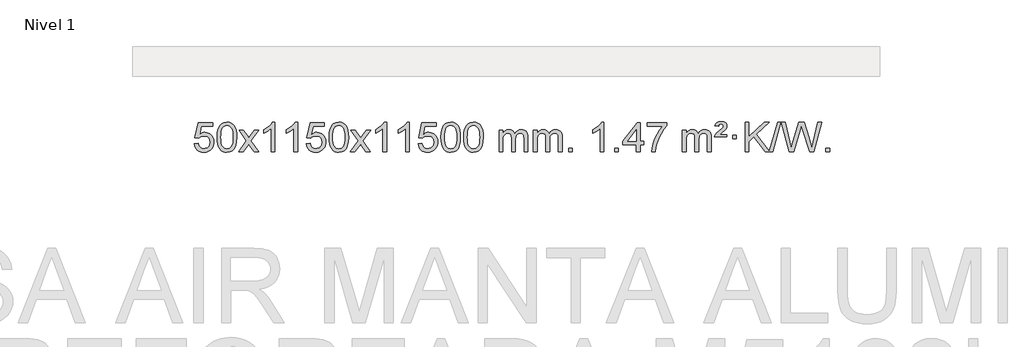
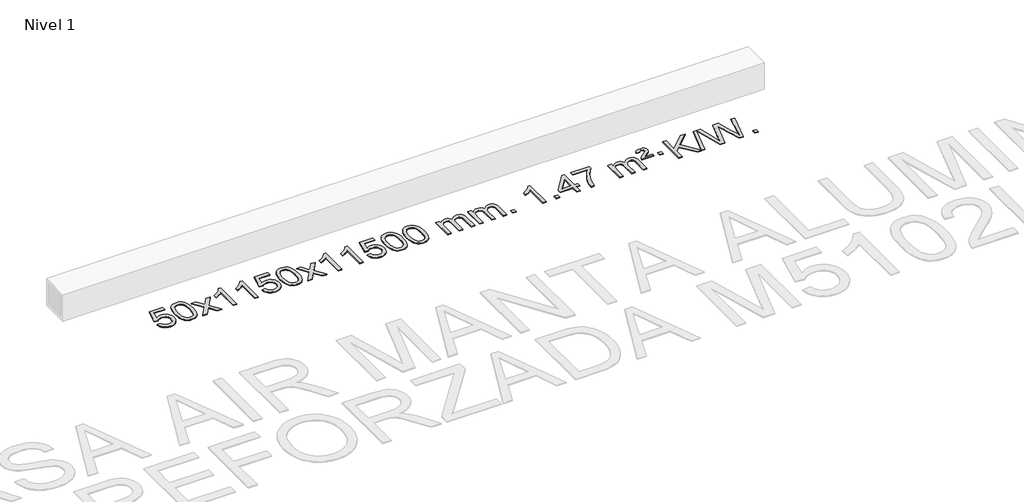
# One storey, part 2 of 4: 1 proxy.
"""IFC4 building model written with IfcOpenShell, lengths in millimetres."""

from ifc_helpers import new_model, si_unit, origin, origin_with_axes, place, context, project, spatial, polyline, outline, extrude, element, save

model = new_model("IFC4")

# Units and contexts
model_context = context("Model", 3, world=origin())
ifc_project = project(units=[si_unit("LENGTHUNIT", "METRE", prefix="MILLI")], contexts=[model_context])

# Site, building, storey
site = spatial("IfcSite", under=ifc_project)
building = spatial("IfcBuilding", under=site)
storey = spatial("IfcBuildingStorey", under=building, Name="Nivel 1", Elevation=0.0)

# Proxy
placement = place(None, origin())
element("IfcBuildingElementProxy", 1, Name="Texto de modelo 1", ObjectType="Texto de modelo 1", at=placement, inside=storey, context=model_context, shape_type="SweptSolid", body=[
    extrude(outline(polyline([(-19164.9669637, -4209.5899742), (-19114.7388086, -4203.3114548), (-19105.5172333, -4233.4655156), (-19089.4285273, -4255.0601888), (-19066.5462672, -4268.0464232), (-19036.9440294, -4272.375168), (-19017.8141656, -4270.8699175), (-19000.9406448, -4266.354166), (-18986.3234668, -4258.8279135), (-18973.9626318, -4248.2911601), (-18964.1340511, -4235.2650717), (-18957.1136364, -4220.2708148), (-18951.4973046, -4184.3777948), (-18956.7580171, -4150.5817021), (-18963.3339078, -4136.6635), (-18972.5401547, -4124.7318606), (-18984.4074148, -4115.1607974), (-18998.9663447, -4108.3243236), (-19036.1592144, -4102.8551446), (-19060.5252652, -4105.0379111), (-19080.2560029, -4111.5862106), (-19096.013615, -4121.6171264), (-19108.4602892, -4134.2477415), (-19158.6884443, -4127.9692222), (-19114.7388086, -3920.7780825), (-18920.1047077, -3920.7780825), (-18920.1047077, -3971.0062376), (-19074.1246363, -3971.0062376), (-19095.6089449, -4081.6651417), (-19077.8831641, -4068.9609501), (-19059.7281876, -4059.8865276), (-19041.1440155, -4054.4418741), (-19022.1306477, -4052.6269896), (-18997.6695607, -4054.8772011), (-18975.2011678, -4061.6278357), (-18954.7254691, -4072.8788934), (-18936.2424645, -4088.6303741), (-18920.9416392, -4107.9196534), (-18910.0124783, -4129.7841067), (-18903.4549817, -4154.2237339), (-18901.2691495, -4181.2385351), (-18903.2373182, -4207.2600549), (-18909.1418242, -4231.4666901), (-18918.9826676, -4253.8584409), (-18932.7598483, -4274.4353072), (-18953.6310202, -4295.5088141), (-18977.9848083, -4310.5613191), (-19005.8212126, -4319.5928221), (-19037.1402331, -4322.6033231), (-19063.0605853, -4320.6688769), (-19086.4732086, -4314.8655384), (-19107.378103, -4305.1933077), (-19125.7752685, -4291.6521846), (-19141.0822251, -4274.9166195), (-19152.7164932, -4255.6610627), (-19160.6780728, -4233.8855143), (-19164.9669637, -4209.5899742)])), origin_with_axes(), (0.0, 0.0, 1.0), 10.0),
    extrude(outline(polyline([(-18857.3195138, -4118.649545), (-18853.6284312, -4054.3315095), (-18842.5551831, -4003.0364966), (-18824.2101343, -3963.9796914), (-18812.3520713, -3948.7463112), (-18798.7036493, -3936.3762791), (-18783.218883, -3926.8052158), (-18765.8517871, -3919.9687421), (-18725.4706068, -3914.4995631), (-18694.5194682, -3917.7369247), (-18666.8056913, -3927.4490093), (-18643.6291256, -3943.2556724), (-18626.2896209, -3964.7767691), (-18613.1930218, -3991.8283585), (-18602.7451732, -4024.2264995), (-18595.9025681, -4065.3679693), (-18593.6216997, -4118.649545), (-18597.2759942, -4182.5996984), (-18608.2388776, -4233.772084), (-18626.4735619, -4272.8656773), (-18638.3040337, -4288.1450429), (-18651.9432587, -4300.5794543), (-18667.4464191, -4310.2148969), (-18684.8686972, -4317.0973559), (-18725.4706068, -4322.6033231), (-18753.1353328, -4320.2120901), (-18777.6607992, -4313.0383912), (-18799.0470058, -4301.0822264), (-18817.2939528, -4284.3435956), (-18834.8051357, -4254.0853015), (-18847.3131236, -4216.3835283), (-18854.8179163, -4171.2382762), (-18857.3195138, -4118.649545)]), holes=[polyline([(-18807.0913588, -4118.5514431), (-18805.6198308, -4162.2159702), (-18801.2052468, -4197.5602329), (-18793.8476069, -4224.5842311), (-18783.5469111, -4243.2879649), (-18771.0879742, -4256.0136163), (-18757.2556112, -4265.1033672), (-18742.049822, -4270.5572178), (-18725.4706068, -4272.375168), (-18708.8913915, -4270.5510864), (-18693.6856024, -4265.0788418), (-18679.8532394, -4255.958434), (-18667.3943025, -4243.1898631), (-18657.0936066, -4224.4554724), (-18649.7359667, -4197.4376056), (-18645.3213828, -4162.1362625), (-18643.8498548, -4118.5514431), (-18645.2723318, -4076.0426785), (-18649.539763, -4041.3207496), (-18656.6521482, -4014.3856562), (-18666.6094875, -3995.2373983), (-18678.859958, -3981.8894132), (-18692.8517365, -3972.3551382), (-18708.5848232, -3966.6345732), (-18726.059218, -3964.7277182), (-18742.5525941, -3966.4077126), (-18757.5008658, -3971.4476959), (-18770.9040332, -3979.8476682), (-18782.7620962, -3991.6076293), (-18793.4061486, -4012.4542757), (-18801.0090431, -4040.5604601), (-18805.5707799, -4075.9261826), (-18807.0913588, -4118.5514431)])]), origin_with_axes(), (0.0, 0.0, 1.0), 10.0),
    extrude(outline(polyline([(-18568.5076222, -4316.3248037), (-18461.1841814, -4167.9947832), (-18562.2291028, -4021.2343926), (-18501.7983537, -4021.2343926), (-18453.0417266, -4091.8677357), (-18430.2820938, -4125.2223699), (-18410.5636189, -4097.9500514), (-18355.0379631, -4021.2343926), (-18294.607214, -4021.2343926), (-18400.7534324, -4167.9947832), (-18298.5312886, -4316.3248037), (-18358.9620377, -4316.3248037), (-18420.4719073, -4227.1502081), (-18431.7536218, -4210.8652984), (-18508.0768731, -4316.3248037), (-18568.5076222, -4316.3248037)])), origin_with_axes(), (0.0, 0.0, 1.0), 10.0),
    extrude(outline(polyline([(-18078.7831102, -4316.3248037), (-18129.0112653, -4316.3248037), (-18129.0112653, -4003.1836494), (-18149.980539, -4020.1430094), (-18176.59067, -4037.0778439), (-18229.4675754, -4062.4371761), (-18229.4675754, -4014.9558732), (-18190.0183628, -3993.4960902), (-18155.8421254, -3967.9650797), (-18128.9009007, -3940.8153885), (-18111.1567258, -3914.4995631), (-18078.7831102, -3914.4995631), (-18078.7831102, -4316.3248037)])), origin_with_axes(), (0.0, 0.0, 1.0), 10.0),
    extrude(outline(polyline([(-17771.1356604, -4316.3248037), (-17821.3638154, -4316.3248037), (-17821.3638154, -4003.1836494), (-17842.3330892, -4020.1430094), (-17868.9432201, -4037.0778439), (-17921.8201256, -4062.4371761), (-17921.8201256, -4014.9558732), (-17882.370913, -3993.4960902), (-17848.1946756, -3967.9650797), (-17821.2534508, -3940.8153885), (-17803.5092759, -3914.4995631), (-17771.1356604, -3914.4995631), (-17771.1356604, -4316.3248037)])), origin_with_axes(), (0.0, 0.0, 1.0), 10.0),
    extrude(outline(polyline([(-17651.8437921, -4209.5899742), (-17601.615637, -4203.3114548), (-17592.3940616, -4233.4655156), (-17576.3053557, -4255.0601888), (-17553.4230956, -4268.0464232), (-17523.8208577, -4272.375168), (-17504.690994, -4270.8699175), (-17487.8174731, -4266.354166), (-17473.2002952, -4258.8279135), (-17460.8394602, -4248.2911601), (-17451.0108795, -4235.2650717), (-17443.9904648, -4220.2708148), (-17438.374133, -4184.3777948), (-17443.6348455, -4150.5817021), (-17450.2107362, -4136.6635), (-17459.4169831, -4124.7318606), (-17471.2842431, -4115.1607974), (-17485.8431731, -4108.3243236), (-17523.0360428, -4102.8551446), (-17547.4020936, -4105.0379111), (-17567.1328313, -4111.5862106), (-17582.8904434, -4121.6171264), (-17595.3371176, -4134.2477415), (-17645.5652727, -4127.9692222), (-17601.615637, -3920.7780825), (-17406.9815361, -3920.7780825), (-17406.9815361, -3971.0062376), (-17561.0014647, -3971.0062376), (-17582.4857732, -4081.6651417), (-17564.7599924, -4068.9609501), (-17546.605016, -4059.8865276), (-17528.0208438, -4054.4418741), (-17509.0074761, -4052.6269896), (-17484.5463891, -4054.8772011), (-17462.0779962, -4061.6278357), (-17441.6022975, -4072.8788934), (-17423.1192929, -4088.6303741), (-17407.8184676, -4107.9196534), (-17396.8893067, -4129.7841067), (-17390.3318101, -4154.2237339), (-17388.1459779, -4181.2385351), (-17390.1141466, -4207.2600549), (-17396.0186526, -4231.4666901), (-17405.859496, -4253.8584409), (-17419.6366767, -4274.4353072), (-17440.5078486, -4295.5088141), (-17464.8616366, -4310.5613191), (-17492.6980409, -4319.5928221), (-17524.0170615, -4322.6033231), (-17549.9374137, -4320.6688769), (-17573.350037, -4314.8655384), (-17594.2549314, -4305.1933077), (-17612.6520968, -4291.6521846), (-17627.9590535, -4274.9166195), (-17639.5933216, -4255.6610627), (-17647.5549011, -4233.8855143), (-17651.8437921, -4209.5899742)])), origin_with_axes(), (0.0, 0.0, 1.0), 10.0),
    extrude(outline(polyline([(-17344.1963422, -4118.649545), (-17340.5052595, -4054.3315095), (-17329.4320115, -4003.0364966), (-17311.0869627, -3963.9796914), (-17299.2288997, -3948.7463112), (-17285.5804777, -3936.3762791), (-17270.0957113, -3926.8052158), (-17252.7286155, -3919.9687421), (-17212.3474351, -3914.4995631), (-17181.3962966, -3917.7369247), (-17153.6825196, -3927.4490093), (-17130.505954, -3943.2556724), (-17113.1664492, -3964.7767691), (-17100.0698502, -3991.8283585), (-17089.6220016, -4024.2264995), (-17082.7793964, -4065.3679693), (-17080.4985281, -4118.649545), (-17084.1528226, -4182.5996984), (-17095.115706, -4233.772084), (-17113.3503902, -4272.8656773), (-17125.1808621, -4288.1450429), (-17138.820087, -4300.5794543), (-17154.3232475, -4310.2148969), (-17171.7455256, -4317.0973559), (-17212.3474351, -4322.6033231), (-17240.0121612, -4320.2120901), (-17264.5376275, -4313.0383912), (-17285.9238342, -4301.0822264), (-17304.1707811, -4284.3435956), (-17321.6819641, -4254.0853015), (-17334.1899519, -4216.3835283), (-17341.6947446, -4171.2382762), (-17344.1963422, -4118.649545)]), holes=[polyline([(-17293.9681871, -4118.5514431), (-17292.4966592, -4162.2159702), (-17288.0820752, -4197.5602329), (-17280.7244353, -4224.5842311), (-17270.4237395, -4243.2879649), (-17257.9648025, -4256.0136163), (-17244.1324395, -4265.1033672), (-17228.9266504, -4270.5572178), (-17212.3474351, -4272.375168), (-17195.7682199, -4270.5510864), (-17180.5624308, -4265.0788418), (-17166.7300677, -4255.958434), (-17154.2711308, -4243.1898631), (-17143.970435, -4224.4554724), (-17136.6127951, -4197.4376056), (-17132.1982111, -4162.1362625), (-17130.7266831, -4118.5514431), (-17132.1491602, -4076.0426785), (-17136.4165913, -4041.3207496), (-17143.5289766, -4014.3856562), (-17153.4863159, -3995.2373983), (-17165.7367864, -3981.8894132), (-17179.7285649, -3972.3551382), (-17195.4616516, -3966.6345732), (-17212.9360463, -3964.7277182), (-17229.4294225, -3966.4077126), (-17244.3776942, -3971.4476959), (-17257.7808616, -3979.8476682), (-17269.6389245, -3991.6076293), (-17280.2829769, -4012.4542757), (-17287.8858715, -4040.5604601), (-17292.4476082, -4075.9261826), (-17293.9681871, -4118.5514431)])]), origin_with_axes(), (0.0, 0.0, 1.0), 10.0),
    extrude(outline(polyline([(-17055.3844505, -4316.3248037), (-16948.0610098, -4167.9947832), (-17049.1059312, -4021.2343926), (-16988.6751821, -4021.2343926), (-16939.918555, -4091.8677357), (-16917.1589222, -4125.2223699), (-16897.4404473, -4097.9500514), (-16841.9147915, -4021.2343926), (-16781.4840424, -4021.2343926), (-16887.6302607, -4167.9947832), (-16785.408117, -4316.3248037), (-16845.8388661, -4316.3248037), (-16907.3487357, -4227.1502081), (-16918.6304502, -4210.8652984), (-16994.9537015, -4316.3248037), (-17055.3844505, -4316.3248037)])), origin_with_axes(), (0.0, 0.0, 1.0), 10.0),
    extrude(outline(polyline([(-16565.6599386, -4316.3248037), (-16615.8880936, -4316.3248037), (-16615.8880936, -4003.1836494), (-16636.8573674, -4020.1430094), (-16663.4674983, -4037.0778439), (-16716.3444038, -4062.4371761), (-16716.3444038, -4014.9558732), (-16676.8951912, -3993.4960902), (-16642.7189538, -3967.9650797), (-16615.777729, -3940.8153885), (-16598.0335541, -3914.4995631), (-16565.6599386, -3914.4995631), (-16565.6599386, -4316.3248037)])), origin_with_axes(), (0.0, 0.0, 1.0), 10.0),
    extrude(outline(polyline([(-16258.0124887, -4316.3248037), (-16308.2406438, -4316.3248037), (-16308.2406438, -4003.1836494), (-16329.2099175, -4020.1430094), (-16355.8200485, -4037.0778439), (-16408.6969539, -4062.4371761), (-16408.6969539, -4014.9558732), (-16369.2477413, -3993.4960902), (-16335.071504, -3967.9650797), (-16308.1302792, -3940.8153885), (-16290.3861043, -3914.4995631), (-16258.0124887, -3914.4995631), (-16258.0124887, -4316.3248037)])), origin_with_axes(), (0.0, 0.0, 1.0), 10.0),
    extrude(outline(polyline([(-16138.7206204, -4209.5899742), (-16088.4924653, -4203.3114548), (-16079.27089, -4233.4655156), (-16063.1821841, -4255.0601888), (-16040.299924, -4268.0464232), (-16010.6976861, -4272.375168), (-15991.5678224, -4270.8699175), (-15974.6943015, -4266.354166), (-15960.0771236, -4258.8279135), (-15947.7162885, -4248.2911601), (-15937.8877079, -4235.2650717), (-15930.8672931, -4220.2708148), (-15925.2509614, -4184.3777948), (-15930.5116739, -4150.5817021), (-15937.0875645, -4136.6635), (-15946.2938115, -4124.7318606), (-15958.1610715, -4115.1607974), (-15972.7200015, -4108.3243236), (-16009.9128712, -4102.8551446), (-16034.278922, -4105.0379111), (-16054.0096597, -4111.5862106), (-16069.7672718, -4121.6171264), (-16082.213946, -4134.2477415), (-16132.442101, -4127.9692222), (-16088.4924653, -3920.7780825), (-15893.8583644, -3920.7780825), (-15893.8583644, -3971.0062376), (-16047.8782931, -3971.0062376), (-16069.3626016, -4081.6651417), (-16051.6368208, -4068.9609501), (-16033.4818443, -4059.8865276), (-16014.8976722, -4054.4418741), (-15995.8843044, -4052.6269896), (-15971.4232174, -4054.8772011), (-15948.9548246, -4061.6278357), (-15928.4791259, -4072.8788934), (-15909.9961213, -4088.6303741), (-15894.695296, -4107.9196534), (-15883.766135, -4129.7841067), (-15877.2086385, -4154.2237339), (-15875.0228063, -4181.2385351), (-15876.990975, -4207.2600549), (-15882.895481, -4231.4666901), (-15892.7363243, -4253.8584409), (-15906.5135051, -4274.4353072), (-15927.3846769, -4295.5088141), (-15951.738465, -4310.5613191), (-15979.5748693, -4319.5928221), (-16010.8938898, -4322.6033231), (-16036.8142421, -4320.6688769), (-16060.2268654, -4314.8655384), (-16081.1317598, -4305.1933077), (-16099.5289252, -4291.6521846), (-16114.8358819, -4274.9166195), (-16126.47015, -4255.6610627), (-16134.4317295, -4233.8855143), (-16138.7206204, -4209.5899742)])), origin_with_axes(), (0.0, 0.0, 1.0), 10.0),
    extrude(outline(polyline([(-15831.0731706, -4118.649545), (-15827.3820879, -4054.3315095), (-15816.3088398, -4003.0364966), (-15797.963791, -3963.9796914), (-15786.105728, -3948.7463112), (-15772.457306, -3936.3762791), (-15756.9725397, -3926.8052158), (-15739.6054439, -3919.9687421), (-15699.2242635, -3914.4995631), (-15668.273125, -3917.7369247), (-15640.559348, -3927.4490093), (-15617.3827823, -3943.2556724), (-15600.0432776, -3964.7767691), (-15586.9466786, -3991.8283585), (-15576.4988299, -4024.2264995), (-15569.6562248, -4065.3679693), (-15567.3753564, -4118.649545), (-15571.0296509, -4182.5996984), (-15581.9925344, -4233.772084), (-15600.2272186, -4272.8656773), (-15612.0576904, -4288.1450429), (-15625.6969154, -4300.5794543), (-15641.2000758, -4310.2148969), (-15658.622354, -4317.0973559), (-15699.2242635, -4322.6033231), (-15726.8889896, -4320.2120901), (-15751.4144559, -4313.0383912), (-15772.8006626, -4301.0822264), (-15791.0476095, -4284.3435956), (-15808.5587925, -4254.0853015), (-15821.0667803, -4216.3835283), (-15828.571573, -4171.2382762), (-15831.0731706, -4118.649545)]), holes=[polyline([(-15780.8450155, -4118.5514431), (-15779.3734875, -4162.2159702), (-15774.9589036, -4197.5602329), (-15767.6012637, -4224.5842311), (-15757.3005678, -4243.2879649), (-15744.8416309, -4256.0136163), (-15731.0092679, -4265.1033672), (-15715.8034788, -4270.5572178), (-15699.2242635, -4272.375168), (-15682.6450483, -4270.5510864), (-15667.4392591, -4265.0788418), (-15653.6068961, -4255.958434), (-15641.1479592, -4243.1898631), (-15630.8472633, -4224.4554724), (-15623.4896234, -4197.4376056), (-15619.0750395, -4162.1362625), (-15617.6035115, -4118.5514431), (-15619.0259886, -4076.0426785), (-15623.2934197, -4041.3207496), (-15630.405805, -4014.3856562), (-15640.3631443, -3995.2373983), (-15652.6136147, -3981.8894132), (-15666.6053933, -3972.3551382), (-15682.3384799, -3966.6345732), (-15699.8128747, -3964.7277182), (-15716.3062508, -3966.4077126), (-15731.2545226, -3971.4476959), (-15744.6576899, -3979.8476682), (-15756.5157529, -3991.6076293), (-15767.1598053, -4012.4542757), (-15774.7626999, -4040.5604601), (-15779.3244366, -4075.9261826), (-15780.8450155, -4118.5514431)])]), origin_with_axes(), (0.0, 0.0, 1.0), 10.0),
    extrude(outline(polyline([(-15523.4257208, -4118.649545), (-15519.7346381, -4054.3315095), (-15508.66139, -4003.0364966), (-15490.3163412, -3963.9796914), (-15478.4582782, -3948.7463112), (-15464.8098562, -3936.3762791), (-15449.3250899, -3926.8052158), (-15431.957994, -3919.9687421), (-15391.5768137, -3914.4995631), (-15360.6256752, -3917.7369247), (-15332.9118982, -3927.4490093), (-15309.7353325, -3943.2556724), (-15292.3958278, -3964.7767691), (-15279.2992288, -3991.8283585), (-15268.8513801, -4024.2264995), (-15262.008775, -4065.3679693), (-15259.7279066, -4118.649545), (-15263.3822011, -4182.5996984), (-15274.3450846, -4233.772084), (-15292.5797688, -4272.8656773), (-15304.4102406, -4288.1450429), (-15318.0494656, -4300.5794543), (-15333.552626, -4310.2148969), (-15350.9749041, -4317.0973559), (-15391.5768137, -4322.6033231), (-15419.2415397, -4320.2120901), (-15443.7670061, -4313.0383912), (-15465.1532127, -4301.0822264), (-15483.4001597, -4284.3435956), (-15500.9113427, -4254.0853015), (-15513.4193305, -4216.3835283), (-15520.9241232, -4171.2382762), (-15523.4257208, -4118.649545)]), holes=[polyline([(-15473.1975657, -4118.5514431), (-15471.7260377, -4162.2159702), (-15467.3114538, -4197.5602329), (-15459.9538139, -4224.5842311), (-15449.653118, -4243.2879649), (-15437.1941811, -4256.0136163), (-15423.3618181, -4265.1033672), (-15408.1560289, -4270.5572178), (-15391.5768137, -4272.375168), (-15374.9975984, -4270.5510864), (-15359.7918093, -4265.0788418), (-15345.9594463, -4255.958434), (-15333.5005094, -4243.1898631), (-15323.1998135, -4224.4554724), (-15315.8421736, -4197.4376056), (-15311.4275897, -4162.1362625), (-15309.9560617, -4118.5514431), (-15311.3785387, -4076.0426785), (-15315.6459699, -4041.3207496), (-15322.7583551, -4014.3856562), (-15332.7156945, -3995.2373983), (-15344.9661649, -3981.8894132), (-15358.9579434, -3972.3551382), (-15374.6910301, -3966.6345732), (-15392.1654249, -3964.7277182), (-15408.658801, -3966.4077126), (-15423.6070727, -3971.4476959), (-15437.0102401, -3979.8476682), (-15448.8683031, -3991.6076293), (-15459.5123555, -4012.4542757), (-15467.11525, -4040.5604601), (-15471.6769868, -4075.9261826), (-15473.1975657, -4118.5514431)])]), origin_with_axes(), (0.0, 0.0, 1.0), 10.0),
    extrude(outline(polyline([(-15046.2582475, -4316.3248037), (-15046.2582475, -4021.2343926), (-14996.0300925, -4021.2343926), (-14996.0300925, -4069.794816), (-14980.9224052, -4047.4889044), (-14961.4982359, -4030.0145096), (-14938.419772, -4018.7205323), (-14912.3492013, -4014.9558732), (-14884.4146951, -4018.7941087), (-14862.0229444, -4030.3088152), (-14845.2965763, -4048.7397031), (-14834.3582183, -4073.3264831), (-14816.0499577, -4047.7893413), (-14795.1665231, -4029.5485257), (-14771.7079145, -4018.6040364), (-14745.674132, -4014.9558732), (-14725.5663153, -4016.4733865), (-14707.9171766, -4021.0259262), (-14692.7267159, -4028.6134923), (-14679.9949331, -4039.2360849), (-14669.9302949, -4053.0163313), (-14662.7412676, -4070.0768589), (-14658.4278512, -4090.4176675), (-14656.9900457, -4114.0387573), (-14656.9900457, -4316.3248037), (-14707.2182008, -4316.3248037), (-14707.2182008, -4135.6211677), (-14708.3831604, -4110.5684038), (-14711.8780394, -4093.6826202), (-14718.4263389, -4082.1188628), (-14728.7515602, -4073.0321776), (-14742.0321003, -4067.1460656), (-14757.4463559, -4065.1840283), (-14784.6573608, -4070.2117489), (-14806.8406451, -4085.2949107), (-14815.4460181, -4096.8647995), (-14821.5927131, -4111.4635833), (-14826.5100691, -4149.7478363), (-14826.5100691, -4316.3248037), (-14876.7382242, -4316.3248037), (-14876.7382242, -4130.0293613), (-14879.6444919, -4101.6288713), (-14888.3632952, -4081.3708361), (-14903.7039744, -4069.2307303), (-14926.4758699, -4065.1840283), (-14945.8264629, -4067.8818296), (-14963.6564769, -4075.9752335), (-14978.3717567, -4089.2680363), (-14988.378147, -4107.5640342), (-14994.1171061, -4132.9478918), (-14996.0300925, -4167.5042739), (-14996.0300925, -4316.3248037), (-15046.2582475, -4316.3248037)])), origin_with_axes(), (0.0, 0.0, 1.0), 10.0),
    extrude(outline(polyline([(-14581.6478131, -4316.3248037), (-14581.6478131, -4021.2343926), (-14531.419658, -4021.2343926), (-14531.419658, -4069.794816), (-14516.3119708, -4047.4889044), (-14496.8878014, -4030.0145096), (-14473.8093376, -4018.7205323), (-14447.7387669, -4014.9558732), (-14419.8042607, -4018.7941087), (-14397.4125099, -4030.3088152), (-14380.6861419, -4048.7397031), (-14369.7477839, -4073.3264831), (-14351.4395233, -4047.7893413), (-14330.5560887, -4029.5485257), (-14307.0974801, -4018.6040364), (-14281.0636976, -4014.9558732), (-14260.9558809, -4016.4733865), (-14243.3067421, -4021.0259262), (-14228.1162814, -4028.6134923), (-14215.3844987, -4039.2360849), (-14205.3198605, -4053.0163313), (-14198.1308331, -4070.0768589), (-14193.8174167, -4090.4176675), (-14192.3796113, -4114.0387573), (-14192.3796113, -4316.3248037), (-14242.6077663, -4316.3248037), (-14242.6077663, -4135.6211677), (-14243.772726, -4110.5684038), (-14247.267605, -4093.6826202), (-14253.8159045, -4082.1188628), (-14264.1411258, -4073.0321776), (-14277.4216658, -4067.1460656), (-14292.8359214, -4065.1840283), (-14320.0469263, -4070.2117489), (-14342.2302106, -4085.2949107), (-14350.8355836, -4096.8647995), (-14356.9822786, -4111.4635833), (-14361.8996347, -4149.7478363), (-14361.8996347, -4316.3248037), (-14412.1277897, -4316.3248037), (-14412.1277897, -4130.0293613), (-14415.0340575, -4101.6288713), (-14423.7528608, -4081.3708361), (-14439.09354, -4069.2307303), (-14461.8654355, -4065.1840283), (-14481.2160284, -4067.8818296), (-14499.0460425, -4075.9752335), (-14513.7613223, -4089.2680363), (-14523.7677125, -4107.5640342), (-14529.5066717, -4132.9478918), (-14531.419658, -4167.5042739), (-14531.419658, -4316.3248037), (-14581.6478131, -4316.3248037)])), origin_with_axes(), (0.0, 0.0, 1.0), 10.0),
    extrude(outline(polyline([(-14104.4803399, -4316.3248037), (-14104.4803399, -4266.0966486), (-14054.2521848, -4266.0966486), (-14054.2521848, -4316.3248037), (-14104.4803399, -4316.3248037)])), origin_with_axes(), (0.0, 0.0, 1.0), 10.0),
    extrude(outline(polyline([(-13627.3128667, -4316.3248037), (-13677.5410218, -4316.3248037), (-13677.5410218, -4003.1836494), (-13698.5102955, -4020.1430094), (-13725.1204265, -4037.0778439), (-13777.9973319, -4062.4371761), (-13777.9973319, -4014.9558732), (-13738.5481193, -3993.4960902), (-13704.3718819, -3967.9650797), (-13677.4306572, -3940.8153885), (-13659.6864823, -3914.4995631), (-13627.3128667, -3914.4995631), (-13627.3128667, -4316.3248037)])), origin_with_axes(), (0.0, 0.0, 1.0), 10.0),
    extrude(outline(polyline([(-13482.9069208, -4316.3248037), (-13482.9069208, -4266.0966486), (-13432.6787658, -4266.0966486), (-13432.6787658, -4316.3248037), (-13482.9069208, -4316.3248037)])), origin_with_axes(), (0.0, 0.0, 1.0), 10.0),
    extrude(outline(polyline([(-13187.8165098, -4316.3248037), (-13187.8165098, -4222.1470129), (-13369.8935719, -4222.1470129), (-13369.8935719, -4171.9188579), (-13175.259471, -3920.7780825), (-13137.5883547, -3920.7780825), (-13137.5883547, -4171.9188579), (-13087.3601996, -4171.9188579), (-13087.3601996, -4222.1470129), (-13137.5883547, -4222.1470129), (-13137.5883547, -4316.3248037), (-13187.8165098, -4316.3248037)]), holes=[polyline([(-13187.8165098, -4171.9188579), (-13187.8165098, -4016.7217068), (-13308.0893967, -4171.9188579), (-13187.8165098, -4171.9188579)])]), origin_with_axes(), (0.0, 0.0, 1.0), 10.0),
    extrude(outline(polyline([(-13043.4105639, -3971.0062376), (-13043.4105639, -3920.7780825), (-12779.7127498, -3920.7780825), (-12779.7127498, -3961.3922547), (-12817.298027, -4008.9593967), (-12854.5154221, -4069.4514595), (-12887.3427588, -4137.350213), (-12911.7578606, -4207.1374275), (-12923.7262882, -4259.3521454), (-12930.397215, -4316.3248037), (-12980.6253701, -4316.3248037), (-12975.1929793, -4264.5515442), (-12960.6616405, -4203.0171492), (-12937.4237611, -4137.7916714), (-12905.8717487, -4074.9451639), (-12869.0344982, -4018.1319211), (-12829.9409049, -3971.0062376), (-13043.4105639, -3971.0062376)])), origin_with_axes(), (0.0, 0.0, 1.0), 10.0),
    extrude(outline(polyline([(-12566.2430907, -4316.3248037), (-12566.2430907, -4021.2343926), (-12516.0149357, -4021.2343926), (-12516.0149357, -4069.794816), (-12500.9072484, -4047.4889044), (-12481.483079, -4030.0145096), (-12458.4046152, -4018.7205323), (-12432.3340445, -4014.9558732), (-12404.3995383, -4018.7941087), (-12382.0077875, -4030.3088152), (-12365.2814195, -4048.7397031), (-12354.3430615, -4073.3264831), (-12336.0348009, -4047.7893413), (-12315.1513663, -4029.5485257), (-12291.6927577, -4018.6040364), (-12265.6589752, -4014.9558732), (-12245.5511585, -4016.4733865), (-12227.9020198, -4021.0259262), (-12212.711559, -4028.6134923), (-12199.9797763, -4039.2360849), (-12189.9151381, -4053.0163313), (-12182.7261108, -4070.0768589), (-12178.4126944, -4090.4176675), (-12176.9748889, -4114.0387573), (-12176.9748889, -4316.3248037), (-12227.203044, -4316.3248037), (-12227.203044, -4135.6211677), (-12228.3680036, -4110.5684038), (-12231.8628826, -4093.6826202), (-12238.4111821, -4082.1188628), (-12248.7364034, -4073.0321776), (-12262.0169434, -4067.1460656), (-12277.431199, -4065.1840283), (-12304.642204, -4070.2117489), (-12326.8254883, -4085.2949107), (-12335.4308613, -4096.8647995), (-12341.5775563, -4111.4635833), (-12346.4949123, -4149.7478363), (-12346.4949123, -4316.3248037), (-12396.7230673, -4316.3248037), (-12396.7230673, -4130.0293613), (-12399.6293351, -4101.6288713), (-12408.3481384, -4081.3708361), (-12423.6888176, -4069.2307303), (-12446.4607131, -4065.1840283), (-12465.811306, -4067.8818296), (-12483.6413201, -4075.9752335), (-12498.3565999, -4089.2680363), (-12508.3629902, -4107.5640342), (-12514.1019493, -4132.9478918), (-12516.0149357, -4167.5042739), (-12516.0149357, -4316.3248037), (-12566.2430907, -4316.3248037)])), origin_with_axes(), (0.0, 0.0, 1.0), 10.0),
    extrude(outline(polyline([(-12133.0252532, -4115.4121834), (-12129.1992805, -4099.5932576), (-12120.8606219, -4083.7252809), (-12099.3517879, -4058.5866779), (-12067.3951053, -4030.8483754), (-12023.2492658, -3993.4715647), (-12016.1123551, -3981.9445955), (-12013.7333849, -3970.1233208), (-12015.6218458, -3958.0322659), (-12021.2872285, -3948.2466048), (-12030.6559567, -3941.7718817), (-12043.6544538, -3939.6136406), (-12056.0888653, -3941.2323214), (-12064.9425586, -3946.0883637), (-12071.3682308, -3955.5551938), (-12076.5185787, -3971.0062376), (-12126.7467338, -3964.7277182), (-12115.9064777, -3939.5155388), (-12099.2782115, -3921.9553049), (-12075.5130346, -3911.654609), (-12043.2620464, -3908.2210437), (-12007.479391, -3912.3535848), (-11982.7331954, -3924.751208), (-11968.3122212, -3943.0839941), (-11963.5052298, -3965.0220238), (-11967.6009827, -3987.9288093), (-11979.8882413, -4009.5602706), (-12000.4160567, -4029.3768475), (-12036.8854251, -4057.433981), (-12062.490012, -4084.0195865), (-11963.5052298, -4084.0195865), (-11963.5052298, -4115.4121834), (-12133.0252532, -4115.4121834)])), origin_with_axes(), (0.0, 0.0, 1.0), 10.0),
    extrude(outline(polyline([(-11888.1629972, -4140.5262609), (-11888.1629972, -4090.2981059), (-11837.9348421, -4090.2981059), (-11837.9348421, -4140.5262609), (-11888.1629972, -4140.5262609)])), origin_with_axes(), (0.0, 0.0, 1.0), 10.0),
    extrude(outline(polyline([(-11447.2932142, -4316.3248037), (-11600.7245317, -4113.6463498), (-11668.4148188, -4178.1973772), (-11668.4148188, -4316.3248037), (-11718.6429738, -4316.3248037), (-11718.6429738, -3914.4995631), (-11668.4148188, -3914.4995631), (-11668.4148188, -4111.1938032), (-11462.4009015, -3914.4995631), (-11392.1599659, -3914.4995631), (-11565.1135545, -4079.7031044), (-11390.4599447, -4310.2802839), (-11279.1466169, -3914.4995631), (-11233.8235551, -3914.4995631), (-11346.836904, -4316.3248037), (-11385.8814465, -4316.3248037), (-11392.1599659, -4316.3248037), (-11447.2932142, -4316.3248037)])), origin_with_axes(), (0.0, 0.0, 1.0), 10.0),
    extrude(outline(polyline([(-11119.3386782, -4316.3248037), (-11228.9184619, -3914.4995631), (-11177.1206769, -3914.4995631), (-11113.5506682, -4178.5897847), (-11093.9302951, -4260.1124348), (-11072.9364959, -4188.0075638), (-10993.2777812, -3914.4995631), (-10918.6222617, -3914.4995631), (-10860.7421611, -4112.763433), (-10835.9469146, -4186.3398321), (-10817.6754422, -4260.1124348), (-10798.6436803, -4180.9442295), (-10734.4850603, -3914.4995631), (-10682.6872754, -3914.4995631), (-10792.3651609, -4316.3248037), (-10846.0268813, -4316.3248037), (-10942.3629131, -4006.3229091), (-10955.8028686, -3963.0599865), (-10970.9105559, -4015.152077), (-11058.7117254, -4316.3248037), (-11119.3386782, -4316.3248037)])), origin_with_axes(), (0.0, 0.0, 1.0), 10.0),
    extrude(outline(polyline([(-10626.180601, -4316.3248037), (-10626.180601, -4266.0966486), (-10575.9524459, -4266.0966486), (-10575.9524459, -4316.3248037), (-10626.180601, -4316.3248037)])), origin_with_axes(), (0.0, 0.0, 1.0), 10.0),
])

save(model, "model.ifc")
